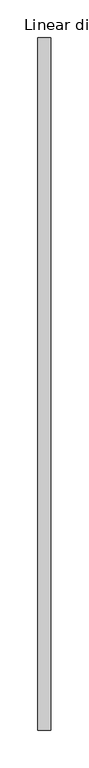
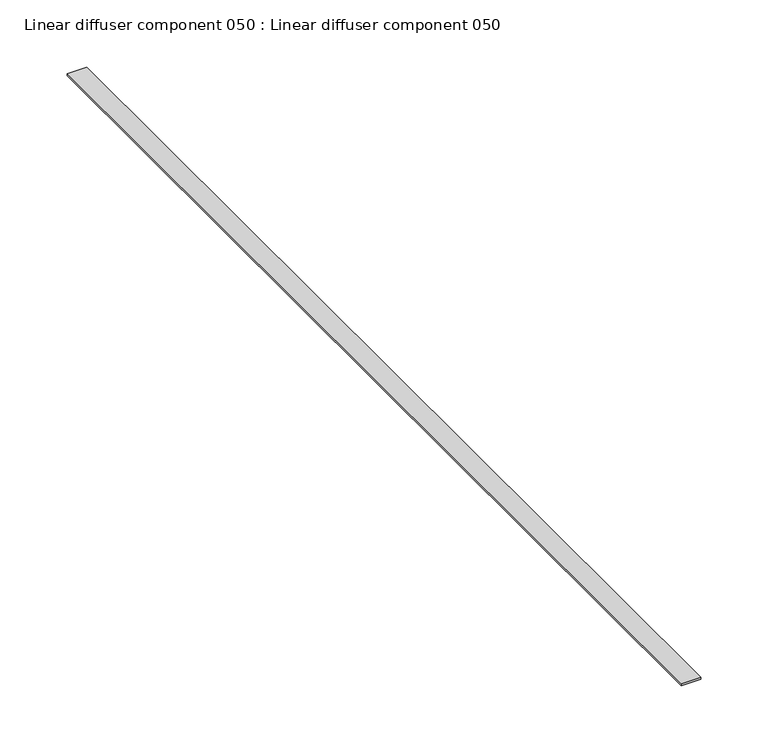
"""IFC4 building model written with IfcOpenShell, lengths in millimetres: proxy geometry, Linear diffuser component 050 : Linear diffuser component 050."""

from ifc_helpers import new_model, si_unit, frame, origin, place, context, project, spatial, polyline, outline, extrude, source, transform, mapped, element, save


def linear_diffuser_component_050_linear_diffuser_component_050_738a3ba3(model_context):
    return source(origin(), model_context, "Body", "SweptSolid", [
        extrude(outline(polyline([(37349.4661867, -18662.4264268), (37366.4939527, -18662.4264268), (37366.4939527, -19576.8264268), (37349.4661867, -19576.8264268), (37349.4661867, -18662.4264268)])), frame((0.0, 0.0, 2954.3381289), z_axis=(0.0, 0.0, 1.0), x_axis=(1.0, 0.0, 0.0)), (0.0, 0.0, 1.0), 1.9356634),
    ])


if __name__ == "__main__":
    model = new_model("IFC4")
    model_context = context("Model", 3, world=origin())
    ifc_project = project(units=[si_unit("LENGTHUNIT", "METRE", prefix="MILLI")], contexts=[model_context])
    site = spatial("IfcSite", under=ifc_project)
    building = spatial("IfcBuilding", under=site)
    placement = place(None, origin())
    linear_diffuser_component_050_linear_diffuser_component_050_shape = linear_diffuser_component_050_linear_diffuser_component_050_738a3ba3(model_context)
    element("IfcBuildingElementProxy", 1, Name="Linear diffuser component 050 : Linear diffuser component 050", ObjectType="Linear diffuser component 050 : Linear diffuser component 050", at=placement, inside=building, context=model_context, shape_type="MappedRepresentation", body=[
        mapped(linear_diffuser_component_050_linear_diffuser_component_050_shape, transform((0.0, 0.0, 0.0), x_axis=(1.0, 0.0, 0.0), y_axis=(0.0, 1.0, 0.0), z_axis=(0.0, 0.0, 1.0))),
    ])
    save(model, "model.ifc")
